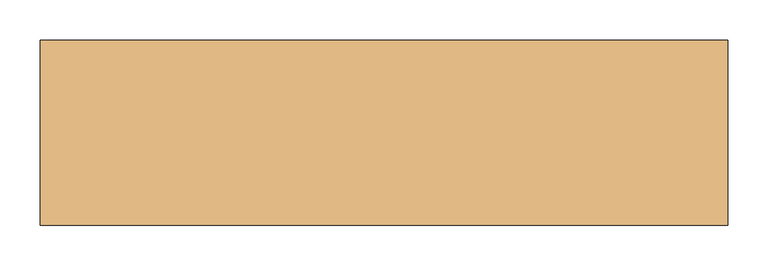
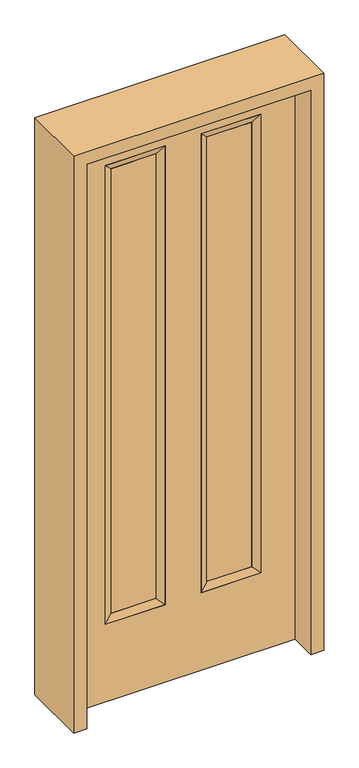
"""IFC4 building model written with IfcOpenShell, lengths in millimetres: door geometry."""

from ifc_helpers import new_model, si_unit, frame, origin, place, context, project, spatial, polyline, outline, extrude, faceted_brep, source, transform, mapped, element, save


def door_afada5d5(model_context):
    return source(origin(), model_context, "Body", "SolidModel", [
        extrude(outline(polyline([(-86.614, -12.7039749), (-239.014, -12.7039749), (-239.014, 14.2875), (-86.614, 14.2875), (-86.614, -12.7039749)])), frame((0.0, 0.0, 304.8), z_axis=(0.0, 0.0, 1.0), x_axis=(1.0, 0.0, 0.0)), (0.0, 0.0, 1.0), 1600.2),
        extrude(outline(polyline([(239.014, -12.7039749), (86.614, -12.7039749), (86.614, 14.2875), (239.014, 14.2875), (239.014, -12.7039749)])), frame((0.0, 0.0, 304.8), z_axis=(0.0, 0.0, 1.0), x_axis=(1.0, 0.0, 0.0)), (0.0, 0.0, 1.0), 1600.2),
        faceted_brep([(264.414, 22.225, 1930.4), (239.014, 14.2875, 1905.0), (86.614, 14.2875, 1905.0), (61.214, 22.225, 1930.4), (239.014, -12.7039749, 1905.0), (86.614, -12.7039749, 1905.0), (264.414, -22.225, 1930.4), (61.214, -22.225, 1930.4), (86.614, 14.2875, 304.8), (61.214, 22.225, 279.4), (86.614, -12.7039749, 304.8), (61.214, -22.225, 279.4), (239.014, 14.2875, 304.8), (264.414, 22.225, 279.4), (239.014, -12.7039749, 304.8), (264.414, -22.225, 279.4)], [[[0, 1, 2, 3]], [[1, 4, 5, 2]], [[4, 6, 7, 5]], [[6, 0, 3, 7]], [[3, 2, 8, 9]], [[2, 5, 10, 8]], [[5, 7, 11, 10]], [[7, 3, 9, 11]], [[9, 8, 12, 13]], [[8, 10, 14, 12]], [[10, 11, 15, 14]], [[11, 9, 13, 15]], [[13, 12, 1, 0]], [[12, 14, 4, 1]], [[14, 15, 6, 4]], [[15, 13, 0, 6]]]),
        faceted_brep([(-239.014, 14.2875, 1905.0), (-264.414, 22.225, 1930.4), (-61.214, 22.225, 1930.4), (-86.614, 14.2875, 1905.0), (-239.014, -12.7039749, 1905.0), (-86.614, -12.7039749, 1905.0), (-264.414, -22.225, 1930.4), (-61.214, -22.225, 1930.4), (-61.214, 22.225, 279.4), (-86.614, 14.2875, 304.8), (-86.614, -12.7039749, 304.8), (-61.214, -22.225, 279.4), (-264.414, 22.225, 279.4), (-239.014, 14.2875, 304.8), (-239.014, -12.7039749, 304.8), (-264.414, -22.225, 279.4)], [[[0, 1, 2, 3]], [[4, 0, 3, 5]], [[6, 4, 5, 7]], [[1, 6, 7, 2]], [[3, 2, 8, 9]], [[5, 3, 9, 10]], [[7, 5, 10, 11]], [[2, 7, 11, 8]], [[9, 8, 12, 13]], [[10, 9, 13, 14]], [[11, 10, 14, 15]], [[8, 11, 15, 12]], [[13, 12, 1, 0]], [[14, 13, 0, 4]], [[15, 14, 4, 6]], [[12, 15, 6, 1]]]),
        extrude(outline(polyline([(0.0, -381.0), (0.0, 381.0), (2032.0, 381.0), (2032.0, -381.0), (0.0, -381.0)]), holes=[polyline([(279.4, -264.414), (1930.4, -264.414), (1930.4, -61.214), (279.4, -61.214), (279.4, -264.414)]), polyline([(279.4, 61.214), (1930.4, 61.214), (1930.4, 264.414), (279.4, 264.414), (279.4, 61.214)])]), frame((0.0, -22.225, 0.0), z_axis=(0.0, 1.0, 0.0), x_axis=(0.0, 0.0, 1.0)), (0.0, 0.0, 1.0), 44.45),
        extrude(outline(polyline([(0.0, -425.45), (0.0, -381.0), (2032.0, -381.0), (2032.0, 381.0), (0.0, 381.0), (0.0, 425.45), (2076.45, 425.45), (2076.45, -425.45), (0.0, -425.45)])), frame((0.0, -114.3, 0.0), z_axis=(0.0, 1.0, 0.0), x_axis=(0.0, 0.0, 1.0)), (0.0, 0.0, 1.0), 228.6),
    ])


if __name__ == "__main__":
    model = new_model("IFC4")
    model_context = context("Model", 3, world=origin())
    ifc_project = project(units=[si_unit("LENGTHUNIT", "METRE", prefix="MILLI")], contexts=[model_context])
    site = spatial("IfcSite", under=ifc_project)
    building = spatial("IfcBuilding", under=site)
    placement = place(None, origin())
    door_shape = door_afada5d5(model_context)
    element("IfcDoor", 1, at=placement, inside=building, context=model_context, shape_type="MappedRepresentation", body=[
        mapped(door_shape, transform((0.0, 0.0, 0.0), x_axis=(1.0, 0.0, 0.0), y_axis=(0.0, 1.0, 0.0), z_axis=(0.0, 0.0, 1.0))),
    ])
    save(model, "model.ifc")
